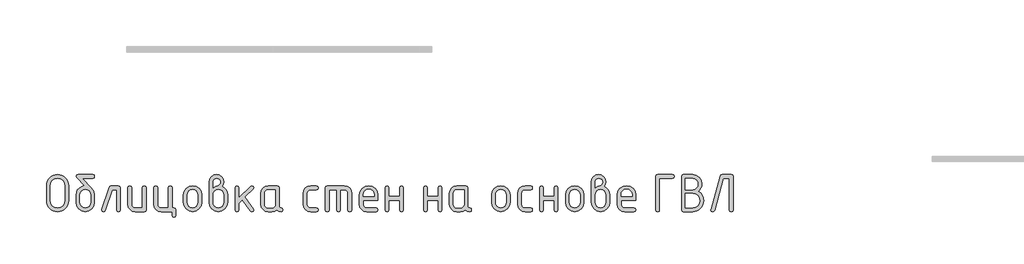
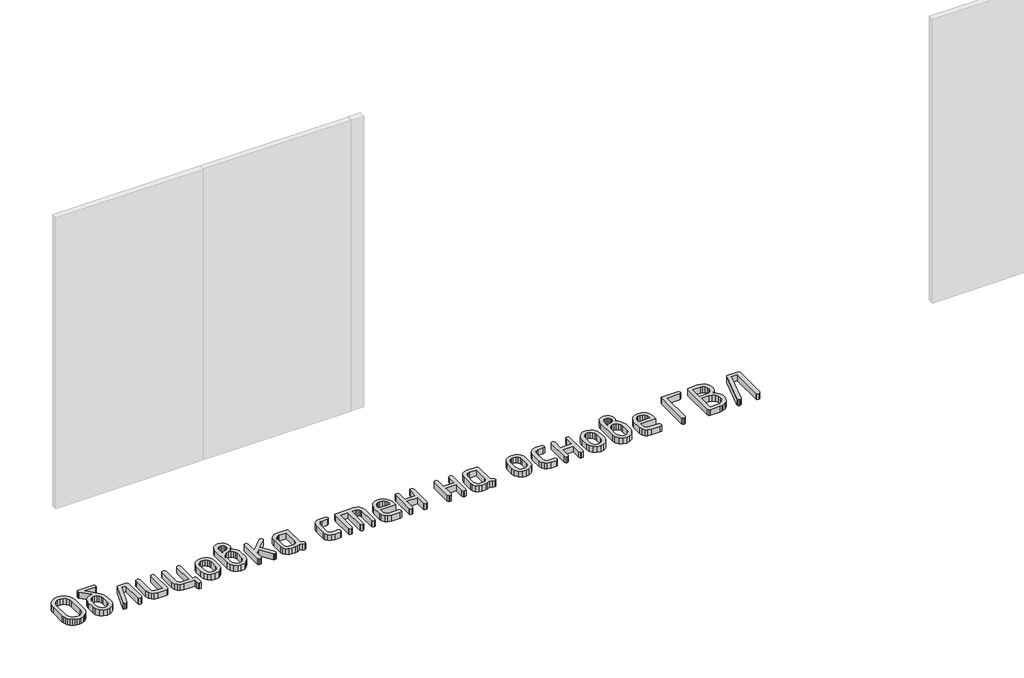
# One storey, part 20 of 33: 1 proxy.
"""IFC4 building model written with IfcOpenShell, lengths in millimetres."""

from ifc_helpers import new_model, si_unit, origin, origin_with_axes, place, context, project, spatial, polyline, outline, extrude, element, save

model = new_model("IFC4")

# Units and contexts
model_context = context("Model", 3, world=origin())
ifc_project = project(units=[si_unit("LENGTHUNIT", "METRE", prefix="MILLI")], contexts=[model_context])

# Site, building, storey
site = spatial("IfcSite", under=ifc_project)
building = spatial("IfcBuilding", under=site)
storey = spatial("IfcBuildingStorey", under=building, Elevation=0.0)

# Proxy
placement = place(None, origin())
element("IfcBuildingElementProxy", 1, Name="Generic Models", at=placement, inside=storey, context=model_context, shape_type="SweptSolid", body=[
    extrude(outline(polyline([(35000.788327, -103.7640152), (34999.1339311, -121.9976767), (34994.1707436, -138.8493124), (34985.8987644, -154.3189223), (34974.3179935, -168.4065064), (34960.3968578, -180.1285062), (34945.103784, -188.5013632), (34928.4387722, -193.5250774), (34910.4018225, -195.1996488), (34892.3648727, -193.5250774), (34875.6998609, -188.5013632), (34860.4067871, -180.1285062), (34846.4856514, -168.4065064), (34834.9048805, -154.3189223), (34826.6329013, -138.8493124), (34821.6697138, -121.9976767), (34820.0153179, -103.7640152), (34820.0153179, 18.0963614), (34821.6697138, 36.3300229), (34826.6329013, 53.1816586), (34834.9048805, 68.6512685), (34846.4856514, 82.7388526), (34860.4067871, 94.4608524), (34875.6998609, 102.8337094), (34892.3648727, 107.8574236), (34910.4018225, 109.531995), (34928.5371281, 107.8649895), (34945.2551007, 102.8639728), (34960.5557403, 94.528945), (34974.4390469, 82.859906), (34985.9668569, 68.8101511), (34994.201007, 53.3329753), (34999.141497, 36.4283788), (35000.788327, 18.0963614), (35000.788327, -103.7640152)]), holes=[polyline([(34969.7986683, -103.5219085), (34969.7986683, 17.8542547), (34965.4911864, 41.3789566), (34952.5687409, 60.9492489), (34933.4120475, 74.1440645), (34910.4018225, 78.5423363), (34887.3915974, 74.1440645), (34868.234904, 60.9492489), (34855.3124585, 41.3789566), (34851.0049766, 17.8542547), (34851.0049766, -103.5219085), (34855.3124585, -127.0466104), (34868.234904, -146.6169026), (34887.3915974, -159.8117183), (34910.4018225, -164.2099901), (34933.4120475, -159.8117183), (34952.5687409, -146.6169026), (34965.4911864, -127.0466104), (34969.7986683, -103.5219085)])]), origin_with_axes(), (0.0, 0.0, 1.0), 50.0),
    extrude(outline(polyline([(35212.5509948, -58.3286562), (35212.5509948, -119.1781423), (35207.0733305, -148.4024396), (35190.6403376, -172.9661828), (35166.4397546, -189.6412823), (35137.6593196, -195.1996488), (35108.8788846, -189.6311945), (35084.6783015, -172.9258316), (35068.2453087, -148.3116496), (35062.7676444, -119.0167379), (35062.7676444, -58.0865495), (35065.3602037, -36.6550619), (35073.1378817, -18.2801715), (35086.1006784, -2.9618783), (35104.2485938, 9.2998177), (35119.9653543, 15.8972255), (35134.5119324, 18.0963614), (35067.9325875, 85.0792175), (35062.7676444, 94.0371657), (35066.5001228, 105.6582877), (35077.6975581, 109.531995), (35197.6210811, 109.531995), (35208.8185163, 105.6582877), (35212.5509948, 94.0371657), (35208.8185163, 82.4160437), (35197.6210811, 78.5423363), (35112.6416264, 78.5423363), (35188.017515, -1.8370909), (35206.4176248, -29.1144467), (35212.5509948, -58.3286562)]), holes=[polyline([(35181.5613361, -118.6939289), (35181.5613361, -58.0865495), (35178.3433344, -40.6548665), (35168.6893294, -25.9670595), (35154.4958236, -15.9801578), (35137.6593196, -12.6511906), (35120.8228156, -15.9801578), (35106.6293098, -25.9670595), (35096.9753048, -40.6548665), (35093.7573031, -58.0865495), (35093.7573031, -118.6939289), (35096.9450414, -136.2870164), (35106.5082564, -150.9748234), (35120.6714989, -160.9011984), (35137.6593196, -164.2099901), (35154.4958236, -160.8810229), (35168.6893294, -150.8941212), (35178.3433344, -136.1861386), (35181.5613361, -118.6939289)])]), origin_with_axes(), (0.0, 0.0, 1.0), 50.0),
    extrude(outline(polyline([(35347.8886449, 16.563019), (35408.8188332, 16.563019), (35420.4399552, 12.7901894), (35424.3136625, 1.4717008), (35424.3136625, -180.1083307), (35420.4399552, -191.4268193), (35408.8188332, -195.1996488), (35397.1977112, -191.4268193), (35393.3240038, -180.1083307), (35393.3240038, -14.4266397), (35358.7027445, -14.4266397), (35301.5655613, -184.9504648), (35296.2593893, -192.6373528), (35287.2812655, -195.1996488), (35275.9022502, -191.3662926), (35272.1092451, -179.8662239), (35272.8355652, -175.2661965), (35332.7166245, 4.2155768), (35338.6078877, 13.4761584), (35347.8886449, 16.563019)])), origin_with_axes(), (0.0, 0.0, 1.0), 50.0),
    extrude(outline(polyline([(35636.0763303, 1.4717008), (35636.0763303, -180.1083307), (35632.3236763, -191.4268193), (35621.0657144, -195.1996488), (35546.1740392, -195.1996488), (35522.9519707, -190.8215525), (35503.6439607, -177.6872636), (35490.6307251, -158.177498), (35486.2929799, -134.6729717), (35486.2929799, 1.4717008), (35490.1666873, 12.7901894), (35501.7878093, 16.563019), (35513.4089313, 12.7901894), (35517.2826386, 1.4717008), (35517.2826386, -134.108056), (35519.4414235, -145.5375102), (35525.9177779, -155.292393), (35535.4002907, -161.9805909), (35546.5775504, -164.2099901), (35605.0866716, -164.2099901), (35605.0866716, 1.4717008), (35608.960379, 12.7901894), (35620.581501, 16.563019), (35632.202623, 12.7901894), (35636.0763303, 1.4717008)])), origin_with_axes(), (0.0, 0.0, 1.0), 50.0),
    extrude(outline(polyline([(35863.3338274, -164.2099901), (35874.9549495, -168.0836975), (35878.8286568, -179.7048195), (35878.8286568, -226.1893075), (35874.9549495, -237.8104295), (35863.3338274, -241.6841369), (35851.7127054, -237.8104295), (35847.8389981, -226.1893075), (35847.8389981, -195.1996488), (35757.936707, -195.1996488), (35734.7146385, -190.7912892), (35715.4066285, -177.5662102), (35702.3933929, -158.0261813), (35698.0556477, -134.6729717), (35698.0556477, 1.4717008), (35701.9293551, 12.7901894), (35713.5504771, 16.563019), (35725.1715991, 12.7901894), (35729.0453064, 1.4717008), (35729.0453064, -134.108056), (35731.2040912, -145.5375102), (35737.6804457, -155.292393), (35747.1629584, -161.9805909), (35758.3402182, -164.2099901), (35816.8493394, -164.2099901), (35816.8493394, 1.4717008), (35820.7230467, 12.7901894), (35832.3441687, 16.563019), (35843.9652908, 12.7901894), (35847.8389981, 1.4717008), (35847.8389981, -164.2099901), (35863.3338274, -164.2099901)])), origin_with_axes(), (0.0, 0.0, 1.0), 50.0),
    extrude(outline(polyline([(35940.8079742, -119.5816535), (35940.8079742, -59.0549764), (35946.2856385, -29.9819958), (35962.7186313, -5.5493938), (35986.9192144, 11.0349158), (36015.6996494, 16.563019), (36044.7827178, 11.0954424), (36068.9227742, -5.3072871), (36085.174187, -29.6793624), (36090.5913246, -59.0549764), (36090.5913246, -119.5816535), (36085.1136603, -148.6546341), (36068.6806674, -173.0872361), (36044.4800844, -189.6715456), (36015.6996494, -195.1996488), (35986.9192144, -189.6715456), (35962.7186313, -173.0872361), (35946.2856385, -148.6546341), (35940.8079742, -119.5816535)]), holes=[polyline([(36059.6016659, -118.6939289), (36059.6016659, -58.0865495), (36056.3836642, -40.6548665), (36046.7296592, -25.9670595), (36032.5361534, -15.9801578), (36015.6996494, -12.6511906), (35998.8631454, -15.9801578), (35984.6696396, -25.9670595), (35975.0156346, -40.6548665), (35971.7976329, -58.0865495), (35971.7976329, -118.6939289), (35974.9853712, -136.2870164), (35984.5485862, -150.9748234), (35998.7118287, -160.9011984), (36015.6996494, -164.2099901), (36032.5361534, -160.8810229), (36046.7296592, -150.8941212), (36056.3836642, -136.1861386), (36059.6016659, -118.6939289)])]), origin_with_axes(), (0.0, 0.0, 1.0), 50.0),
    extrude(outline(polyline([(36257.4028468, 11.8822893), (36275.9340978, 0.4931862), (36290.2083058, -16.0810356), (36299.3175707, -36.1658046), (36302.3539923, -58.0865495), (36302.3539923, -119.0167379), (36296.8763281, -148.4629663), (36280.4433352, -173.046885), (36256.2427521, -189.6614579), (36227.4623172, -195.1996488), (36198.5305655, -189.6311945), (36174.3602457, -172.9258316), (36158.0180429, -148.3116496), (36152.570642, -119.0167379), (36152.570642, 48.6018067), (36156.8982994, 72.2072108), (36169.8812716, 91.8582053), (36189.0581405, 105.1135476), (36211.9674878, 109.531995), (36234.9777129, 105.0832843), (36254.1344062, 91.737152), (36267.0568518, 72.0558941), (36271.3643337, 48.6018067), (36267.8739619, 27.8815076), (36257.4028468, 11.8822893)]), holes=[polyline([(36271.3643337, -118.6939289), (36271.3643337, -58.0865495), (36268.1765953, -40.6548665), (36258.6133803, -25.9670595), (36244.4501379, -15.9801578), (36227.4623172, -12.6511906), (36210.4744964, -15.9801578), (36196.311254, -25.9670595), (36186.748039, -40.6548665), (36183.5603007, -58.0865495), (36183.5603007, -118.6939289), (36186.748039, -136.2870164), (36196.311254, -150.9748234), (36210.4744964, -160.9011984), (36227.4623172, -164.2099901), (36244.4501379, -160.8810229), (36258.6133803, -150.8941212), (36268.1765953, -136.1861386), (36271.3643337, -118.6939289)]), polyline([(36183.5603007, 1.7945097), (36202.0411128, 13.1129984), (36218.9078801, 16.8858279), (36227.9868817, 19.5288261), (36236.3395631, 27.4578208), (36242.2106508, 37.3236692), (36244.1676801, 47.2298687), (36241.9887197, 59.0325707), (36235.4518385, 68.7773658), (36225.686868, 75.3142469), (36213.8236392, 77.4932073), (36202.1722539, 75.2839836), (36192.3971955, 68.6563124), (36185.7695244, 58.8812541), (36183.5603007, 47.2298687), (36183.5603007, 1.7945097)])]), origin_with_axes(), (0.0, 0.0, 1.0), 50.0),
    extrude(outline(polyline([(36395.3229684, -82.862136), (36490.5516072, 12.2050982), (36501.3657068, 16.563019), (36512.7447221, 12.7901894), (36516.5377272, 1.4717008), (36511.9376997, -9.1002922), (36445.3583549, -75.5989348), (36513.5517445, -171.3924891), (36516.5377272, -180.2697351), (36512.7447221, -191.4671704), (36501.3657068, -195.1996488), (36494.2235589, -193.5856041), (36488.776158, -188.7434699), (36423.5687511, -97.1464318), (36395.3229684, -125.3922145), (36395.3229684, -180.0276284), (36391.4492611, -191.4066437), (36379.8281391, -195.1996488), (36368.2070171, -191.4268193), (36364.3333097, -180.1083307), (36364.3333097, 1.4717008), (36368.2070171, 12.7901894), (36379.8281391, 16.563019), (36391.4492611, 12.7901894), (36395.3229684, 1.4717008), (36395.3229684, -82.862136)])), origin_with_axes(), (0.0, 0.0, 1.0), 50.0),
    extrude(outline(polyline([(36756.1426665, -180.1083307), (36752.3698369, -191.4268193), (36741.0513483, -195.1996488), (36721.9047428, -191.1847126), (36706.5914935, -179.1399038), (36688.171208, -191.1847126), (36665.9982686, -195.1996488), (36635.9770368, -195.1996488), (36612.7549683, -190.8215525), (36593.4469583, -177.6872636), (36580.4337227, -158.177498), (36576.0959775, -134.6729717), (36576.0959775, -43.9636582), (36580.4337227, -20.4591319), (36593.4469583, -0.9493663), (36612.7549683, 12.1849226), (36635.9770368, 16.563019), (36710.868712, 16.563019), (36722.1266739, 12.7901894), (36725.8793279, 1.4717008), (36725.8793279, -149.8449921), (36729.6622452, -161.1634807), (36741.0109972, -164.9363103), (36752.3597492, -168.7293154), (36756.1426665, -180.1083307)]), holes=[polyline([(36694.8896692, -14.4266397), (36636.380548, -14.4266397), (36625.1024105, -16.6156879), (36615.6400733, -23.1828324), (36609.2242455, -32.8570129), (36607.0856362, -44.3671694), (36607.0856362, -134.2694605), (36609.244421, -145.6787391), (36615.7207755, -155.3730953), (36625.2032882, -162.0007664), (36636.380548, -164.2099901), (36665.5947575, -164.2099901), (36676.872895, -162.020942), (36686.3352322, -155.4537975), (36692.7510599, -145.7796169), (36694.8896692, -134.2694605), (36694.8896692, -14.4266397)])]), origin_with_axes(), (0.0, 0.0, 1.0), 50.0),
    extrude(outline(polyline([(36953.136825, -44.3671694), (36953.136825, -134.2694605), (36955.3763121, -145.6787391), (36962.0947732, -155.3730953), (36971.9000949, -162.0007664), (36983.4001636, -164.2099901), (37028.9162248, -164.2099901), (37040.2347134, -168.0836975), (37044.007543, -179.7048195), (37040.2347134, -191.3259415), (37028.9162248, -195.1996488), (36983.4001636, -195.1996488), (36959.8552862, -190.8215525), (36940.0630628, -177.6872636), (36926.6261404, -158.177498), (36922.1471663, -134.6729717), (36922.1471663, -43.9636582), (36926.6261404, -20.4591319), (36940.0630628, -0.9493663), (36959.8552862, 12.1849226), (36983.4001636, 16.563019), (37028.9162248, 16.563019), (37040.2347134, 12.6893116), (37044.007543, 1.0681896), (37040.2347134, -10.5529324), (37028.9162248, -14.4266397), (36983.4001636, -14.4266397), (36971.7487783, -16.6156879), (36961.9737199, -23.1828324), (36955.3460487, -32.8570129), (36953.136825, -44.3671694)])), origin_with_axes(), (0.0, 0.0, 1.0), 50.0),
    extrude(outline(polyline([(37118.4150048, 16.563019), (37257.8684689, 16.563019), (37281.7563308, 12.1546593), (37301.7704854, -1.0704197), (37315.3284611, -20.6104486), (37319.8477863, -43.9636582), (37319.8477863, -180.1083307), (37315.974079, -191.4268193), (37304.352957, -195.1996488), (37292.7318349, -191.4268193), (37288.8581276, -180.1083307), (37288.8581276, -44.5285738), (37286.6287283, -32.7964863), (37279.9405305, -23.1021301), (37269.9637166, -16.5955123), (37257.8684689, -14.4266397), (37226.8788102, -14.4266397), (37226.8788102, -180.1083307), (37223.0051029, -191.4268193), (37211.3839809, -195.1996488), (37199.7628588, -191.4268193), (37195.8891515, -180.1083307), (37195.8891515, -14.4266397), (37133.9098341, -14.4266397), (37133.9098341, -180.1083307), (37130.0361268, -191.4268193), (37118.4150048, -195.1996488), (37106.7938827, -191.4268193), (37102.9201754, -180.1083307), (37102.9201754, 1.4717008), (37106.7938827, 12.7901894), (37118.4150048, 16.563019)])), origin_with_axes(), (0.0, 0.0, 1.0), 50.0),
    extrude(outline(polyline([(37412.8167624, -102.2306727), (37412.8167624, -133.2203314), (37415.0562495, -145.0129457), (37421.7747106, -155.0502863), (37431.5800323, -161.9200642), (37443.080101, -164.2099901), (37518.8595008, -164.2099901), (37530.2385161, -168.0836975), (37534.0315212, -179.7048195), (37530.2385161, -191.3259415), (37518.8595008, -195.1996488), (37443.080101, -195.1996488), (37419.5352236, -190.8215525), (37399.7430001, -177.6872636), (37386.3060778, -158.177498), (37381.8271037, -134.6729717), (37381.8271037, -59.0549764), (37387.4459969, -29.9819958), (37404.3026765, -5.5493938), (37429.0278241, 11.0349158), (37458.2521214, 16.563019), (37487.6983498, 11.1963202), (37512.120864, -4.9037759), (37528.5538569, -28.8319889), (37534.0315212, -57.6830383), (37534.0315212, -102.2306727), (37412.8167624, -102.2306727)]), holes=[polyline([(37458.2521214, -10.6336346), (37440.8204384, -13.9626019), (37426.1326314, -23.9495036), (37416.1457296, -38.6373106), (37412.8167624, -56.0689936), (37412.8167624, -71.241014), (37503.6874804, -71.241014), (37503.6874804, -56.0689936), (37500.3585131, -38.6373106), (37490.3716114, -23.9495036), (37475.6838044, -13.9626019), (37458.2521214, -10.6336346)])]), origin_with_axes(), (0.0, 0.0, 1.0), 50.0),
    extrude(outline(polyline([(37624.5794302, -102.2306727), (37624.5794302, -179.7048195), (37620.7057228, -191.3259415), (37609.0846008, -195.1996488), (37597.4634788, -191.4268193), (37593.5897715, -180.1083307), (37593.5897715, 1.4717008), (37597.4634788, 12.7901894), (37609.0846008, 16.563019), (37620.7057228, 12.9112428), (37624.5794302, 1.9559142), (37624.5794302, -71.241014), (37712.3834632, -71.241014), (37712.3834632, 1.9559142), (37716.2571705, 12.9112428), (37727.8782925, 16.563019), (37739.4994145, 12.7901894), (37743.3731219, 1.4717008), (37743.3731219, -180.1083307), (37739.4994145, -191.4268193), (37727.8782925, -195.1996488), (37716.2571705, -191.3259415), (37712.3834632, -179.7048195), (37712.3834632, -102.2306727), (37624.5794302, -102.2306727)])), origin_with_axes(), (0.0, 0.0, 1.0), 50.0),
    extrude(outline(polyline([(37939.6409603, -102.2306727), (37939.6409603, -179.7048195), (37935.7672529, -191.3259415), (37924.1461309, -195.1996488), (37912.5250089, -191.4268193), (37908.6513016, -180.1083307), (37908.6513016, 1.4717008), (37912.5250089, 12.7901894), (37924.1461309, 16.563019), (37935.7672529, 12.9112428), (37939.6409603, 1.9559142), (37939.6409603, -71.241014), (38027.4449933, -71.241014), (38027.4449933, 1.9559142), (38031.3187006, 12.9112428), (38042.9398226, 16.563019), (38054.5609446, 12.7901894), (38058.434652, 1.4717008), (38058.434652, -180.1083307), (38054.5609446, -191.4268193), (38042.9398226, -195.1996488), (38031.3187006, -191.3259415), (38027.4449933, -179.7048195), (38027.4449933, -102.2306727), (37939.6409603, -102.2306727)])), origin_with_axes(), (0.0, 0.0, 1.0), 50.0),
    extrude(outline(polyline([(38300.4606583, -180.1083307), (38296.6878288, -191.4268193), (38285.3693401, -195.1996488), (38266.2227346, -191.1847126), (38250.9094853, -179.1399038), (38232.4891999, -191.1847126), (38210.3162605, -195.1996488), (38180.2950286, -195.1996488), (38157.0729601, -190.8215525), (38137.7649501, -177.6872636), (38124.7517146, -158.177498), (38120.4139694, -134.6729717), (38120.4139694, -43.9636582), (38124.7517146, -20.4591319), (38137.7649501, -0.9493663), (38157.0729601, 12.1849226), (38180.2950286, 16.563019), (38255.1867038, 16.563019), (38266.4446658, 12.7901894), (38270.1973197, 1.4717008), (38270.1973197, -149.8449921), (38273.9802371, -161.1634807), (38285.328989, -164.9363103), (38296.677741, -168.7293154), (38300.4606583, -180.1083307)]), holes=[polyline([(38239.207661, -14.4266397), (38180.6985398, -14.4266397), (38169.4204023, -16.6156879), (38159.9580651, -23.1828324), (38153.5422373, -32.8570129), (38151.4036281, -44.3671694), (38151.4036281, -134.2694605), (38153.5624129, -145.6787391), (38160.0387673, -155.3730953), (38169.5212801, -162.0007664), (38180.6985398, -164.2099901), (38209.9127493, -164.2099901), (38221.1908868, -162.020942), (38230.653224, -155.4537975), (38237.0690518, -145.7796169), (38239.207661, -134.2694605), (38239.207661, -14.4266397)])]), origin_with_axes(), (0.0, 0.0, 1.0), 50.0),
    extrude(outline(polyline([(38466.4651582, -119.5816535), (38466.4651582, -59.0549764), (38471.9428224, -29.9819958), (38488.3758153, -5.5493938), (38512.5763984, 11.0349158), (38541.3568334, 16.563019), (38570.4399017, 11.0954424), (38594.5799581, -5.3072871), (38610.8313709, -29.6793624), (38616.2485085, -59.0549764), (38616.2485085, -119.5816535), (38610.7708443, -148.6546341), (38594.3378514, -173.0872361), (38570.1372683, -189.6715456), (38541.3568334, -195.1996488), (38512.5763984, -189.6715456), (38488.3758153, -173.0872361), (38471.9428224, -148.6546341), (38466.4651582, -119.5816535)]), holes=[polyline([(38585.2588498, -118.6939289), (38585.2588498, -58.0865495), (38582.0408482, -40.6548665), (38572.3868432, -25.9670595), (38558.1933374, -15.9801578), (38541.3568334, -12.6511906), (38524.5203293, -15.9801578), (38510.3268235, -25.9670595), (38500.6728185, -40.6548665), (38497.4548169, -58.0865495), (38497.4548169, -118.6939289), (38500.6425552, -136.2870164), (38510.2057702, -150.9748234), (38524.3690126, -160.9011984), (38541.3568334, -164.2099901), (38558.1933374, -160.8810229), (38572.3868432, -150.8941212), (38582.0408482, -136.1861386), (38585.2588498, -118.6939289)])]), origin_with_axes(), (0.0, 0.0, 1.0), 50.0),
    extrude(outline(polyline([(38709.2174846, -44.3671694), (38709.2174846, -134.2694605), (38711.4569717, -145.6787391), (38718.1754329, -155.3730953), (38727.9807546, -162.0007664), (38739.4808232, -164.2099901), (38784.9968844, -164.2099901), (38796.3153731, -168.0836975), (38800.0882026, -179.7048195), (38796.3153731, -191.3259415), (38784.9968844, -195.1996488), (38739.4808232, -195.1996488), (38715.9359458, -190.8215525), (38696.1437224, -177.6872636), (38682.7068, -158.177498), (38678.2278259, -134.6729717), (38678.2278259, -43.9636582), (38682.7068, -20.4591319), (38696.1437224, -0.9493663), (38715.9359458, 12.1849226), (38739.4808232, 16.563019), (38784.9968844, 16.563019), (38796.3153731, 12.6893116), (38800.0882026, 1.0681896), (38796.3153731, -10.5529324), (38784.9968844, -14.4266397), (38739.4808232, -14.4266397), (38727.8294379, -16.6156879), (38718.0543795, -23.1828324), (38711.4267084, -32.8570129), (38709.2174846, -44.3671694)])), origin_with_axes(), (0.0, 0.0, 1.0), 50.0),
    extrude(outline(polyline([(38889.9904937, -102.2306727), (38889.9904937, -179.7048195), (38886.1167864, -191.3259415), (38874.4956644, -195.1996488), (38862.8745424, -191.4268193), (38859.000835, -180.1083307), (38859.000835, 1.4717008), (38862.8745424, 12.7901894), (38874.4956644, 16.563019), (38886.1167864, 12.9112428), (38889.9904937, 1.9559142), (38889.9904937, -71.241014), (38977.7945267, -71.241014), (38977.7945267, 1.9559142), (38981.668234, 12.9112428), (38993.289356, 16.563019), (39004.9104781, 12.7901894), (39008.7841854, 1.4717008), (39008.7841854, -180.1083307), (39004.9104781, -191.4268193), (38993.289356, -195.1996488), (38981.668234, -191.3259415), (38977.7945267, -179.7048195), (38977.7945267, -102.2306727), (38889.9904937, -102.2306727)])), origin_with_axes(), (0.0, 0.0, 1.0), 50.0),
    extrude(outline(polyline([(39070.7635028, -119.5816535), (39070.7635028, -59.0549764), (39076.2411671, -29.9819958), (39092.6741599, -5.5493938), (39116.874743, 11.0349158), (39145.655178, 16.563019), (39174.7382464, 11.0954424), (39198.8783028, -5.3072871), (39215.1297156, -29.6793624), (39220.5468532, -59.0549764), (39220.5468532, -119.5816535), (39215.0691889, -148.6546341), (39198.636196, -173.0872361), (39174.435613, -189.6715456), (39145.655178, -195.1996488), (39116.874743, -189.6715456), (39092.6741599, -173.0872361), (39076.2411671, -148.6546341), (39070.7635028, -119.5816535)]), holes=[polyline([(39189.5571945, -118.6939289), (39189.5571945, -58.0865495), (39186.3391928, -40.6548665), (39176.6851878, -25.9670595), (39162.491682, -15.9801578), (39145.655178, -12.6511906), (39128.818674, -15.9801578), (39114.6251682, -25.9670595), (39104.9711632, -40.6548665), (39101.7531615, -58.0865495), (39101.7531615, -118.6939289), (39104.9408998, -136.2870164), (39114.5041148, -150.9748234), (39128.6673573, -160.9011984), (39145.655178, -164.2099901), (39162.491682, -160.8810229), (39176.6851878, -150.8941212), (39186.3391928, -136.1861386), (39189.5571945, -118.6939289)])]), origin_with_axes(), (0.0, 0.0, 1.0), 50.0),
    extrude(outline(polyline([(39387.3583754, 11.8822893), (39405.8896264, 0.4931862), (39420.1638344, -16.0810356), (39429.2730993, -36.1658046), (39432.3095209, -58.0865495), (39432.3095209, -119.0167379), (39426.8318567, -148.4629663), (39410.3988638, -173.046885), (39386.1982807, -189.6614579), (39357.4178458, -195.1996488), (39328.4860941, -189.6311945), (39304.3157743, -172.9258316), (39287.9735715, -148.3116496), (39282.5261706, -119.0167379), (39282.5261706, 48.6018067), (39286.853828, 72.2072108), (39299.8368002, 91.8582053), (39319.0136691, 105.1135476), (39341.9230164, 109.531995), (39364.9332415, 105.0832843), (39384.0899348, 91.737152), (39397.0123804, 72.0558941), (39401.3198622, 48.6018067), (39397.8294905, 27.8815076), (39387.3583754, 11.8822893)]), holes=[polyline([(39313.5158293, 1.7945097), (39331.9966414, 13.1129984), (39348.8634087, 16.8858279), (39357.9424103, 19.5288261), (39366.2950917, 27.4578208), (39372.1661794, 37.3236692), (39374.1232087, 47.2298687), (39371.9442483, 59.0325707), (39365.4073671, 68.7773658), (39355.6423966, 75.3142469), (39343.7791678, 77.4932073), (39332.1277825, 75.2839836), (39322.3527241, 68.6563124), (39315.725053, 58.8812541), (39313.5158293, 47.2298687), (39313.5158293, 1.7945097)]), polyline([(39401.3198622, -118.6939289), (39401.3198622, -58.0865495), (39398.1321239, -40.6548665), (39388.5689089, -25.9670595), (39374.4056665, -15.9801578), (39357.4178458, -12.6511906), (39340.430025, -15.9801578), (39326.2667826, -25.9670595), (39316.7035676, -40.6548665), (39313.5158293, -58.0865495), (39313.5158293, -118.6939289), (39316.7035676, -136.2870164), (39326.2667826, -150.9748234), (39340.430025, -160.9011984), (39357.4178458, -164.2099901), (39374.4056665, -160.8810229), (39388.5689089, -150.8941212), (39398.1321239, -136.1861386), (39401.3198622, -118.6939289)])]), origin_with_axes(), (0.0, 0.0, 1.0), 50.0),
    extrude(outline(polyline([(39525.278497, -102.2306727), (39525.278497, -133.2203314), (39527.5179841, -145.0129457), (39534.2364453, -155.0502863), (39544.041767, -161.9200642), (39555.5418356, -164.2099901), (39631.3212354, -164.2099901), (39642.7002507, -168.0836975), (39646.4932558, -179.7048195), (39642.7002507, -191.3259415), (39631.3212354, -195.1996488), (39555.5418356, -195.1996488), (39531.9969582, -190.8215525), (39512.2047348, -177.6872636), (39498.7678125, -158.177498), (39494.2888383, -134.6729717), (39494.2888383, -59.0549764), (39499.9077315, -29.9819958), (39516.7644111, -5.5493938), (39541.4895587, 11.0349158), (39570.713856, 16.563019), (39600.1600845, 11.1963202), (39624.5825987, -4.9037759), (39641.0155915, -28.8319889), (39646.4932558, -57.6830383), (39646.4932558, -102.2306727), (39525.278497, -102.2306727)]), holes=[polyline([(39570.713856, -10.6336346), (39553.282173, -13.9626019), (39538.594366, -23.9495036), (39528.6074643, -38.6373106), (39525.278497, -56.0689936), (39525.278497, -71.241014), (39616.149215, -71.241014), (39616.149215, -56.0689936), (39612.8202478, -38.6373106), (39602.833346, -23.9495036), (39588.145539, -13.9626019), (39570.713856, -10.6336346)])]), origin_with_axes(), (0.0, 0.0, 1.0), 50.0),
    extrude(outline(polyline([(39840.3400272, 78.5423363), (39840.3400272, -180.0276284), (39836.4663198, -191.4066437), (39824.8451978, -195.1996488), (39813.2240758, -191.3864682), (39809.3503685, -179.9469262), (39809.3503685, 94.2792724), (39813.2240758, 105.7188144), (39824.8451978, 109.531995), (39946.3827655, 109.531995), (39957.7617808, 105.6582877), (39961.5547859, 94.0371657), (39957.7617808, 82.4160437), (39946.3827655, 78.5423363), (39840.3400272, 78.5423363)])), origin_with_axes(), (0.0, 0.0, 1.0), 50.0),
    extrude(outline(polyline([(40157.7419221, -28.3074244), (40177.054976, -42.6673785), (40190.8500145, -60.2453343), (40199.1270376, -81.0412918), (40201.8860453, -105.055251), (40200.2316495, -123.0190644), (40195.2684619, -139.6260714), (40186.9964827, -154.8762721), (40175.4157118, -168.7696665), (40161.4945761, -180.3327838), (40146.2015023, -188.5921532), (40129.5364906, -193.5477749), (40111.4995408, -195.1996488), (40036.2043544, -195.1996488), (40024.8858658, -191.3864682), (40021.1130362, -179.9469262), (40021.1130362, 94.2792724), (40024.8656902, 105.7188144), (40036.1236522, 109.531995), (40111.2574341, 109.531995), (40140.4212047, 103.9231896), (40164.6419633, 87.0967734), (40180.9539028, 62.1194313), (40186.391216, 32.0578483), (40184.6006351, 14.363883), (40179.2288925, -1.5949842), (40170.2759882, -15.8187533), (40157.7419221, -28.3074244)]), holes=[polyline([(40052.1026949, -45.4162984), (40052.1026949, -164.2099901), (40111.4995408, -164.2099901), (40134.5097659, -159.9025083), (40153.6664592, -146.9800627), (40166.5889048, -127.8233694), (40170.8963866, -104.8131443), (40166.5889048, -81.8029192), (40153.6664592, -62.6462259), (40134.5097659, -49.7237803), (40111.4995408, -45.4162984), (40052.1026949, -45.4162984)]), polyline([(40052.1026949, 78.5423363), (40052.1026949, -14.4266397), (40111.0960296, -14.4266397), (40128.1342892, -11.027058), (40142.4488483, -0.8283129), (40152.16338, 14.1923908), (40155.4015573, 32.0578483), (40152.16338, 49.9233058), (40142.4488483, 64.9440096), (40128.1342892, 75.1427547), (40111.0960296, 78.5423363), (40052.1026949, 78.5423363)])]), origin_with_axes(), (0.0, 0.0, 1.0), 50.0),
    extrude(outline(polyline([(40352.5571203, 109.531995), (40429.1435424, 109.531995), (40440.7646644, 105.7188144), (40444.6383718, 94.2792724), (40444.6383718, -179.9469262), (40440.7646644, -191.3864682), (40429.1435424, -195.1996488), (40417.5224204, -191.4066437), (40413.6487131, -180.0276284), (40413.6487131, 78.5423363), (40364.5010512, 78.5423363), (40291.7076342, -184.6276559), (40286.6032178, -192.5566506), (40277.2619339, -195.1996488), (40265.8829186, -191.3864682), (40262.0899135, -179.9469262), (40263.3004471, -174.4591741), (40337.3850999, 94.2792724), (40343.2763631, 105.7188144), (40352.5571203, 109.531995)])), origin_with_axes(), (0.0, 0.0, 1.0), 50.0),
])

save(model, "model.ifc")
